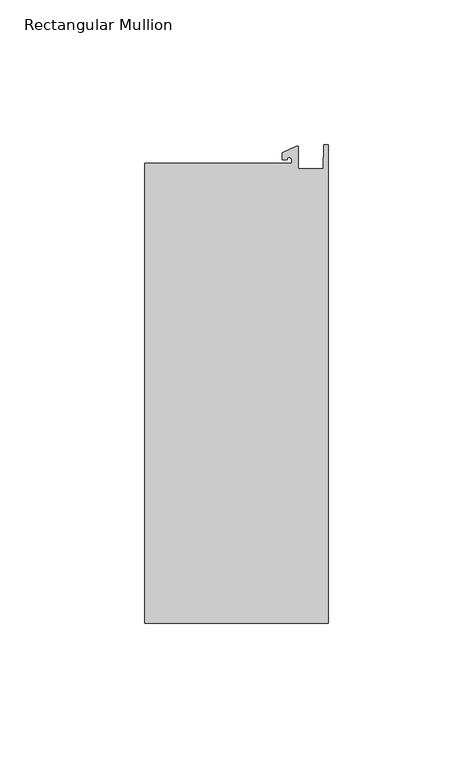
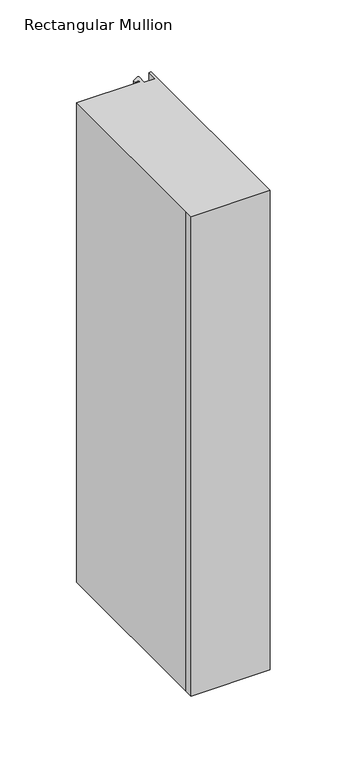
"""IFC4 building model written with IfcOpenShell, lengths in millimetres: member geometry, Rectangular Mullion."""

from ifc_helpers import new_model, si_unit, point, frame, frame_2d, origin, place, context, project, spatial, polyline, circle_curve, trimmed, segment, composite_curve, outline, extrude, source, transform, mapped, element, save


def rectangular_mullion_cfd38f4b(model_context):
    return source(origin(), model_context, "Body", "SweptSolid", [
        extrude(outline(composite_curve([segment(polyline([(-12.6173814, 25.796875), (-12.6173814, 27.0827507)]), True, "CONTINUOUS"), segment(trimmed(circle_curve(frame_2d((-13.4111314, 27.0827507)), 0.79375), [point((-12.6173814, 27.0827507))], [point((-14.2048814, 27.0827507))], True, "CARTESIAN"), True, "CONTINUOUS"), segment(polyline([(-14.2048814, 27.0827507), (-15.7923814, 27.0827507), (-15.7923814, 29.44495), (-10.9524715, 31.7018371)]), True, "CONTINUOUS"), segment(trimmed(circle_curve(frame_2d((-10.7377814, 31.2414327)), 0.508), [point((-10.9524715, 31.7018371))], [point((-10.2297814, 31.2414327))], False, "CARTESIAN"), True, "CONTINUOUS"), segment(polyline([(-10.2297814, 31.2414327), (-10.2297814, 23.9227662), (-1.7144124, 23.9227662), (-1.5658966, 32.288874), (0.0, 32.288874), (0.0, -133.34365), (-63.5, -133.34365), (-63.5, -125.8081374), (-63.5, 25.796875), (-12.6173814, 25.796875)]), True, "CONTINUOUS")], self_intersect=False)), frame((0.0, 0.0, -406.4), z_axis=(0.0, 0.0, 1.0), x_axis=(1.0, 0.0, 0.0)), (0.0, 0.0, 1.0), 406.4),
    ])


if __name__ == "__main__":
    model = new_model("IFC4")
    model_context = context("Model", 3, world=origin())
    ifc_project = project(units=[si_unit("LENGTHUNIT", "METRE", prefix="MILLI")], contexts=[model_context])
    site = spatial("IfcSite", under=ifc_project)
    building = spatial("IfcBuilding", under=site)
    placement = place(None, origin())
    rectangular_mullion_shape = rectangular_mullion_cfd38f4b(model_context)
    element("IfcMember", 1, ObjectType="Rectangular Mullion", at=placement, inside=building, context=model_context, shape_type="MappedRepresentation", body=[
        mapped(rectangular_mullion_shape, transform((0.0, 0.0, 0.0), x_axis=(1.0, 0.0, 0.0), y_axis=(0.0, 1.0, 0.0), z_axis=(0.0, 0.0, 1.0))),
    ])
    save(model, "model.ifc")
